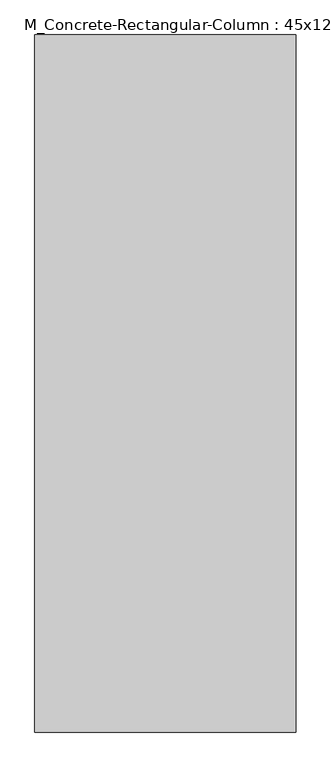
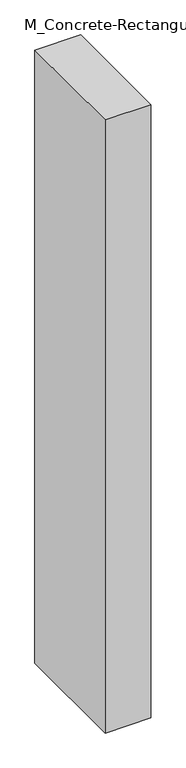
"""IFC4 building model written with IfcOpenShell, lengths in millimetres: column geometry, M_Concrete-Rectangular-Column : 45x120."""

import ifcopenshell
import ifcopenshell.guid

model = None  # the IFC model being written
_history = None  # IfcOwnerHistory: only IFC2X3 demands one
_inside = {}  # id of a spatial element -> (the spatial element, [elements in it])
_under = {}  # id of a project, library or spatial element -> (it, [spatial elements below it])
_declared = {}  # id of a project -> (the project, [libraries it declares])
_typed = {}  # id of a type object -> (the type object, [elements of that type])
_made_of = {}  # id of a material, layer set ... -> (it, [elements and type objects made of it])


def new_model(schema):
    """Start an empty IFC model of exactly this schema.

    Asked for "IFC4X3", IfcOpenShell would pick the latest addendum, in which some entities
    have other attributes; the version numbers below select the first issue.
    IFC2X3 requires an IfcOwnerHistory on every rooted entity: one is made here for all.
    """
    global model, _history
    if schema == "IFC4X3":
        model = ifcopenshell.file(schema_version=(4, 3, 0, 0))
    else:
        model = ifcopenshell.file(schema=schema)
    _inside.clear()
    _under.clear()
    _declared.clear()
    _typed.clear()
    _made_of.clear()
    _history = None
    if model.schema == "IFC2X3":
        org = make("IfcOrganization", Name="unknown")
        user = make(
            "IfcPersonAndOrganization",
            ThePerson=make("IfcPerson", FamilyName="unknown"),
            TheOrganization=org,
        )
        app = make(
            "IfcApplication",
            ApplicationDeveloper=org,
            Version="unknown",
            ApplicationFullName="unknown",
            ApplicationIdentifier="unknown",
        )
        _history = make(
            "IfcOwnerHistory",
            OwningUser=user,
            OwningApplication=app,
            ChangeAction="ADDED",
            CreationDate=0,
        )
    return model


def make(cls, **values):
    """One entity of the class cls with the attributes given. An attribute that is None is left unset."""
    return model.create_entity(
        cls, **{name: value for name, value in values.items() if value is not None}
    )


def rooted(cls, **values):
    """An entity with a GlobalId (a new one), such as an element, a storey or a relation."""
    return make(cls, GlobalId=ifcopenshell.guid.new(), OwnerHistory=_history, **values)


def si_unit(unit_type, name, prefix=None):
    """IfcSIUnit, for example si_unit("LENGTHUNIT", "METRE", prefix="MILLI")."""
    return make("IfcSIUnit", UnitType=unit_type, Prefix=prefix, Name=name)


def assignment(units):
    """IfcUnitAssignment: the units of a project."""
    return None if units is None else make("IfcUnitAssignment", Units=units)


def point(xyz):
    """IfcCartesianPoint."""
    return None if xyz is None else make("IfcCartesianPoint", Coordinates=xyz)


def direction(xyz):
    """IfcDirection."""
    return None if xyz is None else make("IfcDirection", DirectionRatios=xyz)


def frame(location, z_axis=None, x_axis=None):
    """IfcAxis2Placement3D, a coordinate frame: its origin and axes. An axis left out is left unset."""
    return make(
        "IfcAxis2Placement3D",
        Location=point(location),
        Axis=direction(z_axis),
        RefDirection=direction(x_axis),
    )


def origin():
    """The frame at (0, 0, 0) with its axes left unset."""
    return frame((0.0, 0.0, 0.0))


def place(relative_to, where):
    """IfcLocalPlacement: puts the frame where relative to a parent placement (None: the world)."""
    return make(
        "IfcLocalPlacement", PlacementRelTo=relative_to, RelativePlacement=where
    )


def context(
    kind, dimensions, precision=None, world=None, true_north=None, identifier=None
):
    """IfcGeometricRepresentationContext, for example the 3D "Model" context."""
    return make(
        "IfcGeometricRepresentationContext",
        ContextIdentifier=identifier,
        ContextType=kind,
        CoordinateSpaceDimension=dimensions,
        Precision=precision,
        WorldCoordinateSystem=world,
        TrueNorth=true_north,
    )


def project(units=None, contexts=None):
    """IfcProject with its units and contexts."""
    return rooted(
        "IfcProject",
        Name="project",
        RepresentationContexts=contexts,
        UnitsInContext=assignment(units),
    )


def spatial(cls, under=None, at=None, **own):
    """A site, building, storey or space (cls), placed at a placement, below another one or the project."""
    s = rooted(cls, ObjectPlacement=at, **own)
    if under is not None:
        _under.setdefault(under.id(), (under, []))[1].append(s)
    return s


def polyline(points):
    """IfcPolyline through the points."""
    return make("IfcPolyline", Points=[point(p) for p in points])


def outline(outer, holes=None, kind="AREA"):
    """IfcArbitraryClosedProfileDef: a profile drawn as a closed curve; with holes, ...WithVoids."""
    if holes is None:
        return make("IfcArbitraryClosedProfileDef", ProfileType=kind, OuterCurve=outer)
    return make(
        "IfcArbitraryProfileDefWithVoids",
        ProfileType=kind,
        OuterCurve=outer,
        InnerCurves=holes,
    )


def extrude(swept, where, along, depth):
    """IfcExtrudedAreaSolid: the profile swept, set in the frame where, extruded along a direction by depth."""
    return make(
        "IfcExtrudedAreaSolid",
        SweptArea=swept,
        Position=where,
        ExtrudedDirection=direction(along),
        Depth=depth,
    )


def shape(context_of_items, identifier, shape_type, items):
    """IfcShapeRepresentation: the items that make up one representation, for example the "Body"."""
    return make(
        "IfcShapeRepresentation",
        ContextOfItems=context_of_items,
        RepresentationIdentifier=identifier,
        RepresentationType=shape_type,
        Items=items,
    )


def source(mapping_origin, context_of_items, identifier, shape_type, items):
    """IfcRepresentationMap: a shape defined once, which mapped items show again and again."""
    return make(
        "IfcRepresentationMap",
        MappingOrigin=mapping_origin,
        MappedRepresentation=shape(context_of_items, identifier, shape_type, items),
    )


def transform(
    local_origin,
    x_axis=None,
    y_axis=None,
    z_axis=None,
    scale=None,
    scale2=None,
    scale3=None,
    uniform=True,
):
    """IfcCartesianTransformationOperator3D, or its non-uniform kind. x_axis, y_axis, z_axis: its Axis1, 2, 3."""
    if uniform:
        return make(
            "IfcCartesianTransformationOperator3D",
            Axis1=direction(x_axis),
            Axis2=direction(y_axis),
            LocalOrigin=point(local_origin),
            Scale=scale,
            Axis3=direction(z_axis),
        )
    return make(
        "IfcCartesianTransformationOperator3DnonUniform",
        Axis1=direction(x_axis),
        Axis2=direction(y_axis),
        LocalOrigin=point(local_origin),
        Scale=scale,
        Axis3=direction(z_axis),
        Scale2=scale2,
        Scale3=scale3,
    )


def mapped(mapping_source, mapping_target):
    """IfcMappedItem: shows the shape of a source again, moved by a transform."""
    return make(
        "IfcMappedItem", MappingSource=mapping_source, MappingTarget=mapping_target
    )


def made_of(thing, what):
    """Note that an element or type object is made of a material, layer set ...; save() writes the relation."""
    if what is not None:
        _made_of.setdefault(what.id(), (what, []))[1].append(thing)
    return thing


def element(
    cls,
    number,
    at=None,
    inside=None,
    cuts=None,
    type_object=None,
    material=None,
    context=None,
    identifier="Body",
    shape_type=None,
    held_by="IfcProductDefinitionShape",
    body=None,
    shapes=None,
    **own,
):
    """One element of the class cls, such as IfcWall. Its Tag is "e" and its number.

    at: its placement. inside: the storey or other place that contains it. cuts: it is an
    opening in that element (IfcRelVoidsElement). A single representation is given by context,
    identifier, shape_type and body (its items); several are given by shapes. held_by: the class
    of the entity that holds the representations. save() writes the other relations.
    """
    e = rooted(cls, Tag="e%d" % number, ObjectPlacement=at, **own)
    if body is not None:
        shapes = [shape(context, identifier, shape_type, body)]
    if shapes is not None:
        e.Representation = make(held_by, Representations=shapes)
    if inside is not None:
        _inside.setdefault(inside.id(), (inside, []))[1].append(e)
    if cuts is not None:
        rooted(
            "IfcRelVoidsElement", RelatingBuildingElement=cuts, RelatedOpeningElement=e
        )
    if type_object is not None:
        _typed.setdefault(type_object.id(), (type_object, []))[1].append(e)
    return made_of(e, material)


def aggregate(whole, parts):
    """IfcRelAggregates: a whole, such as a stair, and the parts it consists of."""
    return rooted("IfcRelAggregates", RelatingObject=whole, RelatedObjects=parts)


def save(model, path):
    """Write the relations noted so far, then the file.

    IfcRelAggregates (storeys below a building ...), IfcRelContainedInSpatialStructure (elements
    in a storey), IfcRelDefinesByType, IfcRelAssociatesMaterial and IfcRelDeclares: one each for
    every whole, place, type object, material and project.
    """
    for whole, parts in _under.values():
        aggregate(whole, parts)
    for where, things in _inside.values():
        rooted(
            "IfcRelContainedInSpatialStructure",
            RelatedElements=things,
            RelatingStructure=where,
        )
    for kind, things in _typed.values():
        rooted("IfcRelDefinesByType", RelatedObjects=things, RelatingType=kind)
    for what, things in _made_of.values():
        rooted("IfcRelAssociatesMaterial", RelatedObjects=things, RelatingMaterial=what)
    for by, libraries in _declared.values():
        rooted("IfcRelDeclares", RelatingContext=by, RelatedDefinitions=libraries)
    model.write(path)


def m_concrete_rectangular_column_45x120_913af7ed(model_context):
    return source(origin(), model_context, "Body", "SweptSolid", [
        extrude(outline(polyline([(225.0, 600.0), (225.0, -600.0), (-225.0, -600.0), (-225.0, 600.0), (225.0, 600.0)])), frame((0.0, 0.0, -6400.0), z_axis=(0.0, 0.0, 1.0), x_axis=(1.0, 0.0, 0.0)), (0.0, 0.0, 1.0), 6400.0),
    ])


if __name__ == "__main__":
    model = new_model("IFC4")
    model_context = context("Model", 3, world=origin())
    ifc_project = project(units=[si_unit("LENGTHUNIT", "METRE", prefix="MILLI")], contexts=[model_context])
    site = spatial("IfcSite", under=ifc_project)
    building = spatial("IfcBuilding", under=site)
    placement = place(None, origin())
    m_concrete_rectangular_column_45x120_shape = m_concrete_rectangular_column_45x120_913af7ed(model_context)
    element("IfcColumn", 1, ObjectType="M_Concrete-Rectangular-Column : 45x120", at=placement, inside=building, context=model_context, shape_type="MappedRepresentation", body=[
        mapped(m_concrete_rectangular_column_45x120_shape, transform((0.0, 0.0, 0.0), x_axis=(1.0, 0.0, 0.0), y_axis=(0.0, 1.0, 0.0), z_axis=(0.0, 0.0, 1.0))),
    ])
    save(model, "model.ifc")
